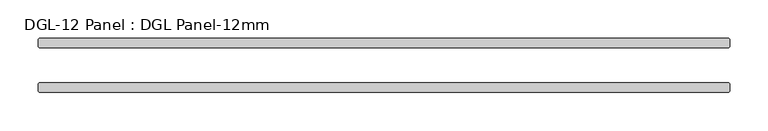
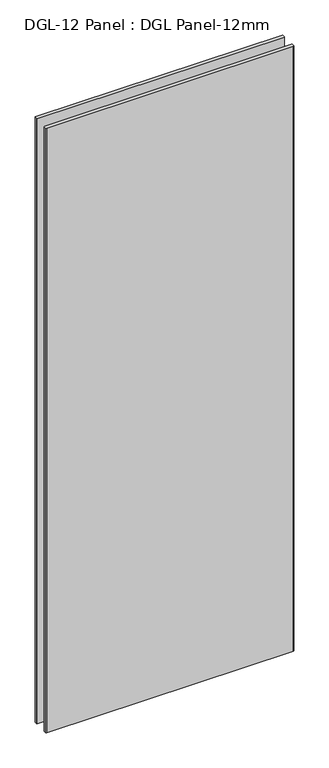
"""IFC4 building model written with IfcOpenShell, lengths in millimetres: plate geometry, DGL-12 Panel : DGL Panel-12mm."""

from ifc_helpers import new_model, si_unit, origin, origin_with_axes, place, context, project, spatial, polyline, outline, extrude, source, transform, mapped, element, save


def dgl_12_panel_dgl_panel_12mm_58cfec56(model_context):
    return source(origin(), model_context, "Body", "SweptSolid", [
        extrude(outline(polyline([(452.3671772, 22.9195313), (-452.3671772, 22.9195313), (-453.9546772, 24.5070313), (-453.9546772, 34.0320313), (-452.3671772, 35.6195313), (452.3671772, 35.6195313), (453.9546772, 34.0320313), (453.9546772, 24.5070313), (452.3671772, 22.9195313)])), origin_with_axes(), (0.0, 0.0, 1.0), 2339.4648576),
        extrude(outline(polyline([(452.3671772, -35.6195312), (-452.3671772, -35.6195312), (-453.9546772, -34.0320312), (-453.9546772, -24.5070312), (-452.3671772, -22.9195312), (452.3671772, -22.9195312), (453.9546772, -24.5070312), (453.9546772, -34.0320312), (452.3671772, -35.6195312)])), origin_with_axes(), (0.0, 0.0, 1.0), 2339.4648576),
    ])


if __name__ == "__main__":
    model = new_model("IFC4")
    model_context = context("Model", 3, world=origin())
    ifc_project = project(units=[si_unit("LENGTHUNIT", "METRE", prefix="MILLI")], contexts=[model_context])
    site = spatial("IfcSite", under=ifc_project)
    building = spatial("IfcBuilding", under=site)
    placement = place(None, origin())
    dgl_12_panel_dgl_panel_12mm_shape = dgl_12_panel_dgl_panel_12mm_58cfec56(model_context)
    element("IfcPlate", 1, ObjectType="DGL-12 Panel : DGL Panel-12mm", at=placement, inside=building, context=model_context, shape_type="MappedRepresentation", body=[
        mapped(dgl_12_panel_dgl_panel_12mm_shape, transform((0.0, 0.0, 0.0), x_axis=(1.0, 0.0, 0.0), y_axis=(0.0, 1.0, 0.0), z_axis=(0.0, 0.0, 1.0))),
    ])
    save(model, "model.ifc")
